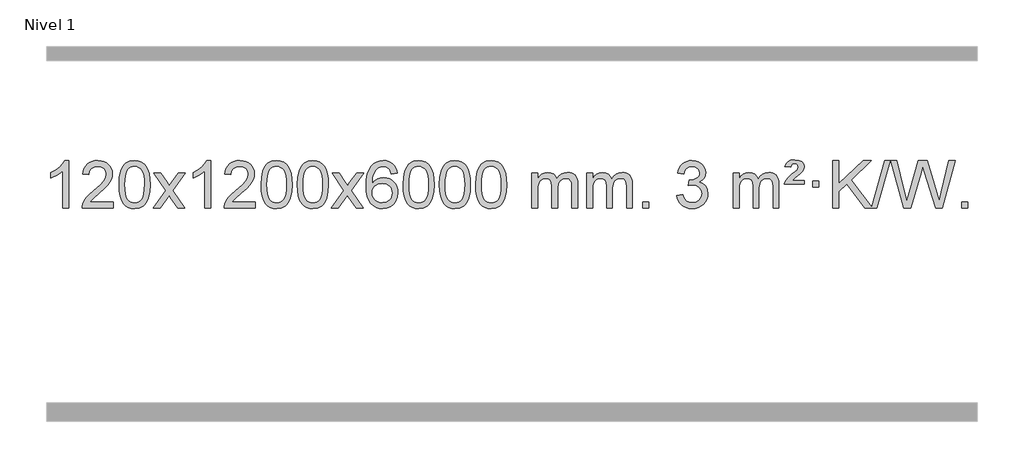
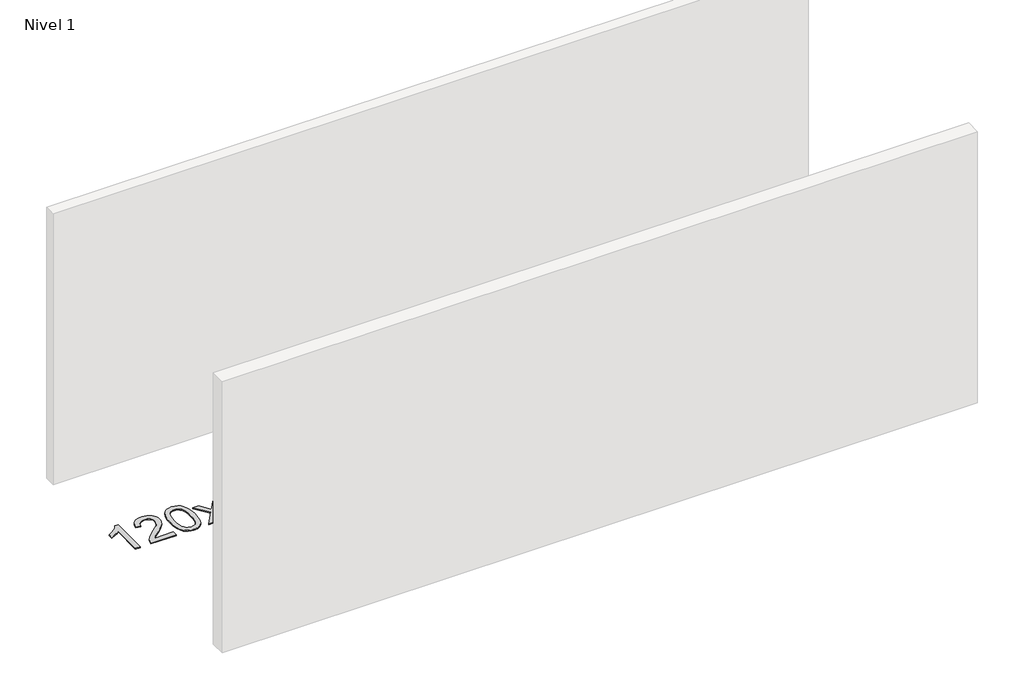
# One storey, part 3 of 5: 1 proxy.
"""IFC4 building model written with IfcOpenShell, lengths in millimetres."""

import ifcopenshell
import ifcopenshell.guid

model = None  # the IFC model being written
_history = None  # IfcOwnerHistory: only IFC2X3 demands one
_inside = {}  # id of a spatial element -> (the spatial element, [elements in it])
_under = {}  # id of a project, library or spatial element -> (it, [spatial elements below it])
_declared = {}  # id of a project -> (the project, [libraries it declares])
_typed = {}  # id of a type object -> (the type object, [elements of that type])
_made_of = {}  # id of a material, layer set ... -> (it, [elements and type objects made of it])


def new_model(schema):
    """Start an empty IFC model of exactly this schema.

    Asked for "IFC4X3", IfcOpenShell would pick the latest addendum, in which some entities
    have other attributes; the version numbers below select the first issue.
    IFC2X3 requires an IfcOwnerHistory on every rooted entity: one is made here for all.
    """
    global model, _history
    if schema == "IFC4X3":
        model = ifcopenshell.file(schema_version=(4, 3, 0, 0))
    else:
        model = ifcopenshell.file(schema=schema)
    _inside.clear()
    _under.clear()
    _declared.clear()
    _typed.clear()
    _made_of.clear()
    _history = None
    if model.schema == "IFC2X3":
        org = make("IfcOrganization", Name="unknown")
        user = make(
            "IfcPersonAndOrganization",
            ThePerson=make("IfcPerson", FamilyName="unknown"),
            TheOrganization=org,
        )
        app = make(
            "IfcApplication",
            ApplicationDeveloper=org,
            Version="unknown",
            ApplicationFullName="unknown",
            ApplicationIdentifier="unknown",
        )
        _history = make(
            "IfcOwnerHistory",
            OwningUser=user,
            OwningApplication=app,
            ChangeAction="ADDED",
            CreationDate=0,
        )
    return model


def make(cls, **values):
    """One entity of the class cls with the attributes given. An attribute that is None is left unset."""
    return model.create_entity(
        cls, **{name: value for name, value in values.items() if value is not None}
    )


def rooted(cls, **values):
    """An entity with a GlobalId (a new one), such as an element, a storey or a relation."""
    return make(cls, GlobalId=ifcopenshell.guid.new(), OwnerHistory=_history, **values)


def si_unit(unit_type, name, prefix=None):
    """IfcSIUnit, for example si_unit("LENGTHUNIT", "METRE", prefix="MILLI")."""
    return make("IfcSIUnit", UnitType=unit_type, Prefix=prefix, Name=name)


def assignment(units):
    """IfcUnitAssignment: the units of a project."""
    return None if units is None else make("IfcUnitAssignment", Units=units)


def point(xyz):
    """IfcCartesianPoint."""
    return None if xyz is None else make("IfcCartesianPoint", Coordinates=xyz)


def direction(xyz):
    """IfcDirection."""
    return None if xyz is None else make("IfcDirection", DirectionRatios=xyz)


def frame(location, z_axis=None, x_axis=None):
    """IfcAxis2Placement3D, a coordinate frame: its origin and axes. An axis left out is left unset."""
    return make(
        "IfcAxis2Placement3D",
        Location=point(location),
        Axis=direction(z_axis),
        RefDirection=direction(x_axis),
    )


def origin():
    """The frame at (0, 0, 0) with its axes left unset."""
    return frame((0.0, 0.0, 0.0))


def origin_with_axes():
    """The frame at (0, 0, 0) with the z axis (0, 0, 1) and the x axis (1, 0, 0) written out."""
    return frame((0.0, 0.0, 0.0), z_axis=(0.0, 0.0, 1.0), x_axis=(1.0, 0.0, 0.0))


def place(relative_to, where):
    """IfcLocalPlacement: puts the frame where relative to a parent placement (None: the world)."""
    return make(
        "IfcLocalPlacement", PlacementRelTo=relative_to, RelativePlacement=where
    )


def context(
    kind, dimensions, precision=None, world=None, true_north=None, identifier=None
):
    """IfcGeometricRepresentationContext, for example the 3D "Model" context."""
    return make(
        "IfcGeometricRepresentationContext",
        ContextIdentifier=identifier,
        ContextType=kind,
        CoordinateSpaceDimension=dimensions,
        Precision=precision,
        WorldCoordinateSystem=world,
        TrueNorth=true_north,
    )


def project(units=None, contexts=None):
    """IfcProject with its units and contexts."""
    return rooted(
        "IfcProject",
        Name="project",
        RepresentationContexts=contexts,
        UnitsInContext=assignment(units),
    )


def spatial(cls, under=None, at=None, **own):
    """A site, building, storey or space (cls), placed at a placement, below another one or the project."""
    s = rooted(cls, ObjectPlacement=at, **own)
    if under is not None:
        _under.setdefault(under.id(), (under, []))[1].append(s)
    return s


def polyline(points):
    """IfcPolyline through the points."""
    return make("IfcPolyline", Points=[point(p) for p in points])


def outline(outer, holes=None, kind="AREA"):
    """IfcArbitraryClosedProfileDef: a profile drawn as a closed curve; with holes, ...WithVoids."""
    if holes is None:
        return make("IfcArbitraryClosedProfileDef", ProfileType=kind, OuterCurve=outer)
    return make(
        "IfcArbitraryProfileDefWithVoids",
        ProfileType=kind,
        OuterCurve=outer,
        InnerCurves=holes,
    )


def extrude(swept, where, along, depth):
    """IfcExtrudedAreaSolid: the profile swept, set in the frame where, extruded along a direction by depth."""
    return make(
        "IfcExtrudedAreaSolid",
        SweptArea=swept,
        Position=where,
        ExtrudedDirection=direction(along),
        Depth=depth,
    )


def shape(context_of_items, identifier, shape_type, items):
    """IfcShapeRepresentation: the items that make up one representation, for example the "Body"."""
    return make(
        "IfcShapeRepresentation",
        ContextOfItems=context_of_items,
        RepresentationIdentifier=identifier,
        RepresentationType=shape_type,
        Items=items,
    )


def made_of(thing, what):
    """Note that an element or type object is made of a material, layer set ...; save() writes the relation."""
    if what is not None:
        _made_of.setdefault(what.id(), (what, []))[1].append(thing)
    return thing


def element(
    cls,
    number,
    at=None,
    inside=None,
    cuts=None,
    type_object=None,
    material=None,
    context=None,
    identifier="Body",
    shape_type=None,
    held_by="IfcProductDefinitionShape",
    body=None,
    shapes=None,
    **own,
):
    """One element of the class cls, such as IfcWall. Its Tag is "e" and its number.

    at: its placement. inside: the storey or other place that contains it. cuts: it is an
    opening in that element (IfcRelVoidsElement). A single representation is given by context,
    identifier, shape_type and body (its items); several are given by shapes. held_by: the class
    of the entity that holds the representations. save() writes the other relations.
    """
    e = rooted(cls, Tag="e%d" % number, ObjectPlacement=at, **own)
    if body is not None:
        shapes = [shape(context, identifier, shape_type, body)]
    if shapes is not None:
        e.Representation = make(held_by, Representations=shapes)
    if inside is not None:
        _inside.setdefault(inside.id(), (inside, []))[1].append(e)
    if cuts is not None:
        rooted(
            "IfcRelVoidsElement", RelatingBuildingElement=cuts, RelatedOpeningElement=e
        )
    if type_object is not None:
        _typed.setdefault(type_object.id(), (type_object, []))[1].append(e)
    return made_of(e, material)


def aggregate(whole, parts):
    """IfcRelAggregates: a whole, such as a stair, and the parts it consists of."""
    return rooted("IfcRelAggregates", RelatingObject=whole, RelatedObjects=parts)


def save(model, path):
    """Write the relations noted so far, then the file.

    IfcRelAggregates (storeys below a building ...), IfcRelContainedInSpatialStructure (elements
    in a storey), IfcRelDefinesByType, IfcRelAssociatesMaterial and IfcRelDeclares: one each for
    every whole, place, type object, material and project.
    """
    for whole, parts in _under.values():
        aggregate(whole, parts)
    for where, things in _inside.values():
        rooted(
            "IfcRelContainedInSpatialStructure",
            RelatedElements=things,
            RelatingStructure=where,
        )
    for kind, things in _typed.values():
        rooted("IfcRelDefinesByType", RelatedObjects=things, RelatingType=kind)
    for what, things in _made_of.values():
        rooted("IfcRelAssociatesMaterial", RelatedObjects=things, RelatingMaterial=what)
    for by, libraries in _declared.values():
        rooted("IfcRelDeclares", RelatingContext=by, RelatedDefinitions=libraries)
    model.write(path)


model = new_model("IFC4")

# Units and contexts
model_context = context("Model", 3, world=origin())
ifc_project = project(units=[si_unit("LENGTHUNIT", "METRE", prefix="MILLI")], contexts=[model_context])

# Site, building, storey
site = spatial("IfcSite", under=ifc_project)
building = spatial("IfcBuilding", under=site)
storey = spatial("IfcBuildingStorey", under=building, Name="Nivel 1", Elevation=0.0)

# Proxy
placement = place(None, origin())
element("IfcBuildingElementProxy", 1, Name="Texto de modelo 1", ObjectType="Texto de modelo 1", at=placement, inside=storey, context=model_context, shape_type="SweptSolid", body=[
    extrude(outline(polyline([(-43.1563615, -3395.579453), (-93.3845166, -3395.579453), (-93.3845166, -3082.4382987), (-114.3537903, -3099.3976587), (-140.9639213, -3116.3324932), (-193.8408268, -3141.6918254), (-193.8408268, -3094.2105225), (-154.3916142, -3072.7507395), (-120.2153768, -3047.219729), (-93.274152, -3020.0700378), (-75.5299771, -2993.7542124), (-43.1563615, -2993.7542124), (-43.1563615, -3395.579453)])), origin_with_axes(), (0.0, 0.0, 1.0), 10.0),
    extrude(outline(polyline([(333.5548015, -3345.3512979), (333.5548015, -3395.579453), (69.8569874, -3395.579453), (70.9606334, -3377.8965918), (75.25259, -3360.9494945), (87.6379505, -3333.8856424), (105.7622701, -3307.6311307), (131.9799936, -3280.1503456), (168.6455658, -3249.4076736), (222.8468464, -3201.2641831), (255.3676148, -3165.7267824), (271.627999, -3136.884834), (277.0481271, -3108.8277005), (271.9345673, -3083.6768347), (256.5938881, -3062.7688747), (233.0126522, -3048.6789943), (203.1774224, -3043.9823675), (171.8461392, -3048.5686297), (147.5046138, -3062.3274163), (131.7960526, -3084.1796068), (126.3636618, -3113.0460807), (76.1355068, -3106.7675613), (80.4550545, -3080.838012), (88.3124008, -3058.1826125), (99.7075456, -3038.8013627), (114.6404889, -3022.6942627), (132.7678742, -3010.0329907), (153.746345, -3000.989225), (177.5759012, -2995.5629655), (204.2565429, -2993.7542124), (231.1763079, -2995.7653006), (255.1346229, -3001.7985654), (276.1314878, -3011.8540066), (294.1669026, -3025.9316242), (308.6522561, -3042.9890861), (318.9989372, -3061.9840598), (325.2069459, -3082.9165453), (327.2762821, -3105.7865427), (325.0444647, -3129.8092369), (318.3490124, -3153.4149983), (306.4664239, -3177.4254299), (288.6731981, -3202.6621347), (260.3094963, -3232.7916701), (216.7154798, -3271.4805933), (158.9334811, -3319.795762), (136.2719502, -3345.3512979), (333.5548015, -3345.3512979)])), origin_with_axes(), (0.0, 0.0, 1.0), 10.0),
    extrude(outline(polyline([(383.7829566, -3197.9041943), (387.4740393, -3133.5861588), (398.5472873, -3082.2911459), (416.8923362, -3043.2343407), (428.7503991, -3028.0009605), (442.3988212, -3015.6309284), (457.8835875, -3006.0598651), (475.2506833, -2999.2233914), (515.6318637, -2993.7542124), (546.5830022, -2996.991574), (574.2967792, -3006.7036586), (597.4733449, -3022.5103217), (614.8128496, -3044.0314184), (627.9094486, -3071.0830078), (638.3572973, -3103.4811488), (645.1999024, -3144.6226186), (647.4807707, -3197.9041943), (643.8264762, -3261.8543477), (632.8635928, -3313.0267333), (614.6289086, -3352.1203266), (602.7984367, -3367.3996922), (589.1592118, -3379.8341036), (573.6560514, -3389.4695462), (556.2337732, -3396.3520052), (515.6318637, -3401.8579724), (487.9671376, -3399.4667394), (463.4416713, -3392.2930405), (442.0554646, -3380.3368757), (423.8085177, -3363.5982449), (406.2973347, -3333.3399508), (393.7893469, -3295.6381776), (386.2845542, -3250.4929255), (383.7829566, -3197.9041943)]), holes=[polyline([(434.0111117, -3197.8060924), (435.4826396, -3241.4706195), (439.8972236, -3276.8148822), (447.2548635, -3303.8388804), (457.5555594, -3322.5426142), (470.0144963, -3335.2682656), (483.8468593, -3344.3580165), (499.0526484, -3349.8118671), (515.6318637, -3351.6298173), (532.2110789, -3349.8057357), (547.416868, -3344.3334911), (561.2492311, -3335.2130833), (573.708168, -3322.4445124), (584.0088638, -3303.7101217), (591.3665037, -3276.6922549), (595.7810877, -3241.3909118), (597.2526157, -3197.8060924), (595.8301386, -3155.2973278), (591.5627075, -3120.5753989), (584.4503222, -3093.6403055), (574.4929829, -3074.4920476), (562.2425125, -3061.1440625), (548.2507339, -3051.6097875), (532.5176472, -3045.8892225), (515.0432525, -3043.9823675), (498.5498764, -3045.6623619), (483.6016046, -3050.7023452), (470.1984373, -3059.1023175), (458.3403743, -3070.8622786), (447.6963219, -3091.708925), (440.0934273, -3119.8151094), (435.5316906, -3155.1808319), (434.0111117, -3197.8060924)])]), origin_with_axes(), (0.0, 0.0, 1.0), 10.0),
    extrude(outline(polyline([(672.5948483, -3395.579453), (779.918289, -3247.2494325), (678.8733677, -3100.4890419), (739.3041167, -3100.4890419), (788.0607438, -3171.122385), (810.8203766, -3204.4770192), (830.5388515, -3177.2047007), (886.0645073, -3100.4890419), (946.4952564, -3100.4890419), (840.3490381, -3247.2494325), (942.5711818, -3395.579453), (882.1404327, -3395.579453), (820.6305631, -3306.4048574), (809.3488486, -3290.1199477), (733.0255973, -3395.579453), (672.5948483, -3395.579453)])), origin_with_axes(), (0.0, 0.0, 1.0), 10.0),
    extrude(outline(polyline([(1162.3193603, -3395.579453), (1112.0912052, -3395.579453), (1112.0912052, -3082.4382987), (1091.1219315, -3099.3976587), (1064.5118005, -3116.3324932), (1011.634895, -3141.6918254), (1011.634895, -3094.2105225), (1051.0841076, -3072.7507395), (1085.260345, -3047.219729), (1112.2015698, -3020.0700378), (1129.9457447, -2993.7542124), (1162.3193603, -2993.7542124), (1162.3193603, -3395.579453)])), origin_with_axes(), (0.0, 0.0, 1.0), 10.0),
    extrude(outline(polyline([(1539.0305233, -3345.3512979), (1539.0305233, -3395.579453), (1275.3327092, -3395.579453), (1276.4363552, -3377.8965918), (1280.7283118, -3360.9494945), (1293.1136723, -3333.8856424), (1311.2379919, -3307.6311307), (1337.4557154, -3280.1503456), (1374.1212876, -3249.4076736), (1428.3225682, -3201.2641831), (1460.8433366, -3165.7267824), (1477.1037208, -3136.884834), (1482.5238489, -3108.8277005), (1477.4102891, -3083.6768347), (1462.0696099, -3062.7688747), (1438.488374, -3048.6789943), (1408.6531442, -3043.9823675), (1377.321861, -3048.5686297), (1352.9803356, -3062.3274163), (1337.2717744, -3084.1796068), (1331.8393836, -3113.0460807), (1281.6112286, -3106.7675613), (1285.9307763, -3080.838012), (1293.7881226, -3058.1826125), (1305.1832674, -3038.8013627), (1320.1162107, -3022.6942627), (1338.243596, -3010.0329907), (1359.2220668, -3000.989225), (1383.051623, -2995.5629655), (1409.7322647, -2993.7542124), (1436.6520297, -2995.7653006), (1460.6103447, -3001.7985654), (1481.6072095, -3011.8540066), (1499.6426244, -3025.9316242), (1514.1279779, -3042.9890861), (1524.474659, -3061.9840598), (1530.6826677, -3082.9165453), (1532.7520039, -3105.7865427), (1530.5201865, -3129.8092369), (1523.8247342, -3153.4149983), (1511.9421457, -3177.4254299), (1494.1489199, -3202.6621347), (1465.7852181, -3232.7916701), (1422.1912016, -3271.4805933), (1364.4092029, -3319.795762), (1341.747672, -3345.3512979), (1539.0305233, -3345.3512979)])), origin_with_axes(), (0.0, 0.0, 1.0), 10.0),
    extrude(outline(polyline([(1589.2586784, -3197.9041943), (1592.9497611, -3133.5861588), (1604.0230091, -3082.2911459), (1622.368058, -3043.2343407), (1634.2261209, -3028.0009605), (1647.874543, -3015.6309284), (1663.3593093, -3006.0598651), (1680.7264051, -2999.2233914), (1721.1075855, -2993.7542124), (1752.058724, -2996.991574), (1779.772501, -3006.7036586), (1802.9490667, -3022.5103217), (1820.2885714, -3044.0314184), (1833.3851704, -3071.0830078), (1843.833019, -3103.4811488), (1850.6756242, -3144.6226186), (1852.9564925, -3197.9041943), (1849.302198, -3261.8543477), (1838.3393146, -3313.0267333), (1820.1046304, -3352.1203266), (1808.2741585, -3367.3996922), (1794.6349336, -3379.8341036), (1779.1317731, -3389.4695462), (1761.709495, -3396.3520052), (1721.1075855, -3401.8579724), (1693.4428594, -3399.4667394), (1668.9173931, -3392.2930405), (1647.5311864, -3380.3368757), (1629.2842395, -3363.5982449), (1611.7730565, -3333.3399508), (1599.2650687, -3295.6381776), (1591.760276, -3250.4929255), (1589.2586784, -3197.9041943)]), holes=[polyline([(1639.4868335, -3197.8060924), (1640.9583614, -3241.4706195), (1645.3729454, -3276.8148822), (1652.7305853, -3303.8388804), (1663.0312812, -3322.5426142), (1675.4902181, -3335.2682656), (1689.3225811, -3344.3580165), (1704.5283702, -3349.8118671), (1721.1075855, -3351.6298173), (1737.6868007, -3349.8057357), (1752.8925898, -3344.3334911), (1766.7249529, -3335.2130833), (1779.1838898, -3322.4445124), (1789.4845856, -3303.7101217), (1796.8422255, -3276.6922549), (1801.2568095, -3241.3909118), (1802.7283375, -3197.8060924), (1801.3058604, -3155.2973278), (1797.0384293, -3120.5753989), (1789.926044, -3093.6403055), (1779.9687047, -3074.4920476), (1767.7182342, -3061.1440625), (1753.7264557, -3051.6097875), (1737.993369, -3045.8892225), (1720.5189743, -3043.9823675), (1704.0255981, -3045.6623619), (1689.0773264, -3050.7023452), (1675.6741591, -3059.1023175), (1663.8160961, -3070.8622786), (1653.1720437, -3091.708925), (1645.5691491, -3119.8151094), (1641.0074124, -3155.1808319), (1639.4868335, -3197.8060924)])]), origin_with_axes(), (0.0, 0.0, 1.0), 10.0),
    extrude(outline(polyline([(1896.9061282, -3197.9041943), (1900.5972109, -3133.5861588), (1911.670459, -3082.2911459), (1930.0155078, -3043.2343407), (1941.8735708, -3028.0009605), (1955.5219928, -3015.6309284), (1971.0067591, -3006.0598651), (1988.373855, -2999.2233914), (2028.7550353, -2993.7542124), (2059.7061738, -2996.991574), (2087.4199508, -3006.7036586), (2110.5965165, -3022.5103217), (2127.9360212, -3044.0314184), (2141.0326202, -3071.0830078), (2151.4804689, -3103.4811488), (2158.323074, -3144.6226186), (2160.6039424, -3197.9041943), (2156.9496479, -3261.8543477), (2145.9867644, -3313.0267333), (2127.7520802, -3352.1203266), (2115.9216084, -3367.3996922), (2102.2823834, -3379.8341036), (2086.779223, -3389.4695462), (2069.3569448, -3396.3520052), (2028.7550353, -3401.8579724), (2001.0903093, -3399.4667394), (1976.5648429, -3392.2930405), (1955.1786363, -3380.3368757), (1936.9316893, -3363.5982449), (1919.4205063, -3333.3399508), (1906.9125185, -3295.6381776), (1899.4077258, -3250.4929255), (1896.9061282, -3197.9041943)]), holes=[polyline([(1947.1342833, -3197.8060924), (1948.6058113, -3241.4706195), (1953.0203952, -3276.8148822), (1960.3780351, -3303.8388804), (1970.678731, -3322.5426142), (1983.1376679, -3335.2682656), (1996.9700309, -3344.3580165), (2012.17582, -3349.8118671), (2028.7550353, -3351.6298173), (2045.3342505, -3349.8057357), (2060.5400397, -3344.3334911), (2074.3724027, -3335.2130833), (2086.8313396, -3322.4445124), (2097.1320355, -3303.7101217), (2104.4896754, -3276.6922549), (2108.9042593, -3241.3909118), (2110.3757873, -3197.8060924), (2108.9533102, -3155.2973278), (2104.6858791, -3120.5753989), (2097.5734939, -3093.6403055), (2087.6161545, -3074.4920476), (2075.3656841, -3061.1440625), (2061.3739055, -3051.6097875), (2045.6408189, -3045.8892225), (2028.1664241, -3043.9823675), (2011.673048, -3045.6623619), (1996.7247762, -3050.7023452), (1983.3216089, -3059.1023175), (1971.4635459, -3070.8622786), (1960.8194935, -3091.708925), (1953.2165989, -3119.8151094), (1948.6548622, -3155.1808319), (1947.1342833, -3197.8060924)])]), origin_with_axes(), (0.0, 0.0, 1.0), 10.0),
    extrude(outline(polyline([(2185.7180199, -3395.579453), (2293.0414606, -3247.2494325), (2191.9965393, -3100.4890419), (2252.4272884, -3100.4890419), (2301.1839155, -3171.122385), (2323.9435482, -3204.4770192), (2343.6620232, -3177.2047007), (2399.187679, -3100.4890419), (2459.618428, -3100.4890419), (2353.4722097, -3247.2494325), (2455.6943534, -3395.579453), (2395.2636044, -3395.579453), (2333.7537348, -3306.4048574), (2322.4720202, -3290.1199477), (2246.148769, -3395.579453), (2185.7180199, -3395.579453)])), origin_with_axes(), (0.0, 0.0, 1.0), 10.0),
    extrude(outline(polyline([(2744.5062451, -3100.4890419), (2694.27809, -3106.7675613), (2686.1846861, -3081.874213), (2675.2463281, -3064.8780648), (2652.4621699, -3049.2062918), (2624.9200712, -3043.9823675), (2601.5718272, -3047.0235253), (2579.5970094, -3056.1469988), (2560.724663, -3075.3627017), (2545.3104075, -3101.8134171), (2534.899347, -3139.227016), (2531.036586, -3191.3313693), (2551.1842566, -3167.8237098), (2575.3295783, -3151.2567573), (2602.1236502, -3141.434308), (2630.2175719, -3138.1601582), (2654.3506308, -3140.398107), (2676.6197543, -3147.1119534), (2697.0249423, -3158.3016975), (2715.5661948, -3173.9673391), (2730.9743191, -3193.1769106), (2741.9801221, -3214.9984443), (2748.5836039, -3239.4319401), (2750.7847645, -3266.4773982), (2746.6399607, -3302.4439945), (2734.2055492, -3335.786366), (2714.5115998, -3364.0642287), (2688.5881818, -3384.8372987), (2657.6125178, -3397.602804), (2622.7618302, -3401.8579724), (2592.8193014, -3399.0375437), (2565.7769091, -3390.5762579), (2541.6346532, -3376.4741147), (2520.3925336, -3356.7311143), (2503.0744887, -3330.5133908), (2490.7044566, -3296.9870783), (2483.2824374, -3256.1521768), (2480.808431, -3208.0086864), (2483.5552832, -3154.0342663), (2491.7958399, -3107.9693092), (2505.530101, -3069.8138149), (2524.7580667, -3039.5677835), (2545.5985817, -3019.5243462), (2569.7622974, -3005.2076052), (2597.2492138, -2996.6175606), (2628.0593309, -2993.7542124), (2651.192977, -2995.5261773), (2672.1315939, -3000.8420722), (2690.8751816, -3009.7018969), (2707.42374, -3022.1056515), (2721.3296794, -3037.6364031), (2732.1454101, -3055.8772186), (2739.870932, -3076.8280983), (2744.5062451, -3100.4890419)]), holes=[polyline([(2531.036586, -3265.6925832), (2533.9428538, -3287.9494439), (2542.6616571, -3309.2007605), (2556.1997145, -3327.472233), (2573.5637447, -3340.7895612), (2594.5207557, -3348.9197533), (2618.8377556, -3351.6298173), (2651.9839233, -3346.0134855), (2665.8990598, -3338.9930708), (2678.0422313, -3329.1644901), (2687.8922717, -3316.9262824), (2694.9280149, -3302.6769865), (2700.5566094, -3268.1451299), (2695.0015913, -3234.9989621), (2688.0578186, -3221.3781312), (2678.3365369, -3209.725469), (2666.1565772, -3200.3904634), (2651.8367705, -3193.7226022), (2616.7776164, -3188.3883133), (2583.6804995, -3193.7226022), (2556.0035108, -3209.725469), (2545.0804812, -3221.2248471), (2537.2783172, -3234.3858254), (2532.5970188, -3249.2084042), (2531.036586, -3265.6925832)])]), origin_with_axes(), (0.0, 0.0, 1.0), 10.0),
    extrude(outline(polyline([(2794.7344002, -3197.9041943), (2798.4254829, -3133.5861588), (2809.4987309, -3082.2911459), (2827.8437797, -3043.2343407), (2839.7018427, -3028.0009605), (2853.3502647, -3015.6309284), (2868.8350311, -3006.0598651), (2886.2021269, -2999.2233914), (2926.5833073, -2993.7542124), (2957.5344458, -2996.991574), (2985.2482228, -3006.7036586), (3008.4247884, -3022.5103217), (3025.7642932, -3044.0314184), (3038.8608922, -3071.0830078), (3049.3087408, -3103.4811488), (3056.151346, -3144.6226186), (3058.4322143, -3197.9041943), (3054.7779198, -3261.8543477), (3043.8150364, -3313.0267333), (3025.5803522, -3352.1203266), (3013.7498803, -3367.3996922), (3000.1106554, -3379.8341036), (2984.6074949, -3389.4695462), (2967.1852168, -3396.3520052), (2926.5833073, -3401.8579724), (2898.9185812, -3399.4667394), (2874.3931149, -3392.2930405), (2853.0069082, -3380.3368757), (2834.7599613, -3363.5982449), (2817.2487783, -3333.3399508), (2804.7407905, -3295.6381776), (2797.2359977, -3250.4929255), (2794.7344002, -3197.9041943)]), holes=[polyline([(2844.9625553, -3197.8060924), (2846.4340832, -3241.4706195), (2850.8486672, -3276.8148822), (2858.2063071, -3303.8388804), (2868.5070029, -3322.5426142), (2880.9659399, -3335.2682656), (2894.7983029, -3344.3580165), (2910.004092, -3349.8118671), (2926.5833073, -3351.6298173), (2943.1625225, -3349.8057357), (2958.3683116, -3344.3334911), (2972.2006747, -3335.2130833), (2984.6596116, -3322.4445124), (2994.9603074, -3303.7101217), (3002.3179473, -3276.6922549), (3006.7325313, -3241.3909118), (3008.2040592, -3197.8060924), (3006.7815822, -3155.2973278), (3002.5141511, -3120.5753989), (2995.4017658, -3093.6403055), (2985.4444265, -3074.4920476), (2973.193956, -3061.1440625), (2959.2021775, -3051.6097875), (2943.4690908, -3045.8892225), (2925.9946961, -3043.9823675), (2909.5013199, -3045.6623619), (2894.5530482, -3050.7023452), (2881.1498808, -3059.1023175), (2869.2918179, -3070.8622786), (2858.6477655, -3091.708925), (2851.0448709, -3119.8151094), (2846.4831342, -3155.1808319), (2844.9625553, -3197.8060924)])]), origin_with_axes(), (0.0, 0.0, 1.0), 10.0),
    extrude(outline(polyline([(3102.38185, -3197.9041943), (3106.0729327, -3133.5861588), (3117.1461808, -3082.2911459), (3135.4912296, -3043.2343407), (3147.3492926, -3028.0009605), (3160.9977146, -3015.6309284), (3176.4824809, -3006.0598651), (3193.8495767, -2999.2233914), (3234.2307571, -2993.7542124), (3265.1818956, -2996.991574), (3292.8956726, -3006.7036586), (3316.0722383, -3022.5103217), (3333.411743, -3044.0314184), (3346.508342, -3071.0830078), (3356.9561907, -3103.4811488), (3363.7987958, -3144.6226186), (3366.0796642, -3197.9041943), (3362.4253697, -3261.8543477), (3351.4624862, -3313.0267333), (3333.227802, -3352.1203266), (3321.3973302, -3367.3996922), (3307.7581052, -3379.8341036), (3292.2549448, -3389.4695462), (3274.8326666, -3396.3520052), (3234.2307571, -3401.8579724), (3206.566031, -3399.4667394), (3182.0405647, -3392.2930405), (3160.6543581, -3380.3368757), (3142.4074111, -3363.5982449), (3124.8962281, -3333.3399508), (3112.3882403, -3295.6381776), (3104.8834476, -3250.4929255), (3102.38185, -3197.9041943)]), holes=[polyline([(3152.6100051, -3197.8060924), (3154.0815331, -3241.4706195), (3158.496117, -3276.8148822), (3165.8537569, -3303.8388804), (3176.1544528, -3322.5426142), (3188.6133897, -3335.2682656), (3202.4457527, -3344.3580165), (3217.6515418, -3349.8118671), (3234.2307571, -3351.6298173), (3250.8099723, -3349.8057357), (3266.0157615, -3344.3334911), (3279.8481245, -3335.2130833), (3292.3070614, -3322.4445124), (3302.6077573, -3303.7101217), (3309.9653972, -3276.6922549), (3314.3799811, -3241.3909118), (3315.8515091, -3197.8060924), (3314.429032, -3155.2973278), (3310.1616009, -3120.5753989), (3303.0492157, -3093.6403055), (3293.0918763, -3074.4920476), (3280.8414059, -3061.1440625), (3266.8496273, -3051.6097875), (3251.1165407, -3045.8892225), (3233.6421459, -3043.9823675), (3217.1487698, -3045.6623619), (3202.200498, -3050.7023452), (3188.7973307, -3059.1023175), (3176.9392677, -3070.8622786), (3166.2952153, -3091.708925), (3158.6923207, -3119.8151094), (3154.130584, -3155.1808319), (3152.6100051, -3197.8060924)])]), origin_with_axes(), (0.0, 0.0, 1.0), 10.0),
    extrude(outline(polyline([(3410.0292998, -3197.9041943), (3413.7203825, -3133.5861588), (3424.7936306, -3082.2911459), (3443.1386794, -3043.2343407), (3454.9967424, -3028.0009605), (3468.6451644, -3015.6309284), (3484.1299307, -3006.0598651), (3501.4970266, -2999.2233914), (3541.8782069, -2993.7542124), (3572.8293454, -2996.991574), (3600.5431224, -3006.7036586), (3623.7196881, -3022.5103217), (3641.0591928, -3044.0314184), (3654.1557918, -3071.0830078), (3664.6036405, -3103.4811488), (3671.4462456, -3144.6226186), (3673.727114, -3197.9041943), (3670.0728195, -3261.8543477), (3659.109936, -3313.0267333), (3640.8752518, -3352.1203266), (3629.04478, -3367.3996922), (3615.405555, -3379.8341036), (3599.9023946, -3389.4695462), (3582.4801165, -3396.3520052), (3541.8782069, -3401.8579724), (3514.2134809, -3399.4667394), (3489.6880145, -3392.2930405), (3468.3018079, -3380.3368757), (3450.0548609, -3363.5982449), (3432.543678, -3333.3399508), (3420.0356901, -3295.6381776), (3412.5308974, -3250.4929255), (3410.0292998, -3197.9041943)]), holes=[polyline([(3460.2574549, -3197.8060924), (3461.7289829, -3241.4706195), (3466.1435668, -3276.8148822), (3473.5012067, -3303.8388804), (3483.8019026, -3322.5426142), (3496.2608395, -3335.2682656), (3510.0932025, -3344.3580165), (3525.2989917, -3349.8118671), (3541.8782069, -3351.6298173), (3558.4574222, -3349.8057357), (3573.6632113, -3344.3334911), (3587.4955743, -3335.2130833), (3599.9545112, -3322.4445124), (3610.2552071, -3303.7101217), (3617.612847, -3276.6922549), (3622.0274309, -3241.3909118), (3623.4989589, -3197.8060924), (3622.0764819, -3155.2973278), (3617.8090507, -3120.5753989), (3610.6966655, -3093.6403055), (3600.7393261, -3074.4920476), (3588.4888557, -3061.1440625), (3574.4970772, -3051.6097875), (3558.7639905, -3045.8892225), (3541.2895957, -3043.9823675), (3524.7962196, -3045.6623619), (3509.8479479, -3050.7023452), (3496.4447805, -3059.1023175), (3484.5867175, -3070.8622786), (3473.9426651, -3091.708925), (3466.3397706, -3119.8151094), (3461.7780338, -3155.1808319), (3460.2574549, -3197.8060924)])]), origin_with_axes(), (0.0, 0.0, 1.0), 10.0),
    extrude(outline(polyline([(3887.1967731, -3395.579453), (3887.1967731, -3100.4890419), (3937.4249281, -3100.4890419), (3937.4249281, -3149.0494653), (3952.5326154, -3126.7435537), (3971.9567847, -3109.2691589), (3995.0352486, -3097.9751816), (4021.1058193, -3094.2105225), (4049.0403255, -3098.048758), (4071.4320762, -3109.5634645), (4088.1584443, -3127.9943524), (4099.0968023, -3152.5811324), (4117.4050629, -3127.0439906), (4138.2884975, -3108.803175), (4161.7471061, -3097.8586857), (4187.7808886, -3094.2105225), (4207.8887053, -3095.7280358), (4225.537844, -3100.2805755), (4240.7283047, -3107.8681416), (4253.4600875, -3118.4907342), (4263.5247257, -3132.2709806), (4270.713753, -3149.3315082), (4275.0271694, -3169.6723168), (4276.4649749, -3193.2934066), (4276.4649749, -3395.579453), (4226.2368198, -3395.579453), (4226.2368198, -3214.875817), (4225.0718602, -3189.8230531), (4221.5769812, -3172.9372695), (4215.0286817, -3161.3735121), (4204.7034604, -3152.2868268), (4191.4229203, -3146.4007149), (4176.0086647, -3144.4386776), (4148.7976598, -3149.4663982), (4126.6143755, -3164.54956), (4118.0090025, -3176.1194488), (4111.8623075, -3190.7182326), (4106.9449515, -3229.0024856), (4106.9449515, -3395.579453), (4056.7167964, -3395.579453), (4056.7167964, -3209.2840106), (4053.8105287, -3180.8835206), (4045.0917254, -3160.6254854), (4029.7510462, -3148.4853796), (4006.9791507, -3144.4386776), (3987.6285577, -3147.1364789), (3969.7985437, -3155.2298828), (3955.0832639, -3168.5226856), (3945.0768736, -3186.8186835), (3939.3379145, -3212.2025411), (3937.4249281, -3246.7589232), (3937.4249281, -3395.579453), (3887.1967731, -3395.579453)])), origin_with_axes(), (0.0, 0.0, 1.0), 10.0),
    extrude(outline(polyline([(4351.8072075, -3395.579453), (4351.8072075, -3100.4890419), (4402.0353626, -3100.4890419), (4402.0353626, -3149.0494653), (4417.1430498, -3126.7435537), (4436.5672192, -3109.2691589), (4459.645683, -3097.9751816), (4485.7162537, -3094.2105225), (4513.6507599, -3098.048758), (4536.0425107, -3109.5634645), (4552.7688787, -3127.9943524), (4563.7072367, -3152.5811324), (4582.0154973, -3127.0439906), (4602.8989319, -3108.803175), (4626.3575405, -3097.8586857), (4652.391323, -3094.2105225), (4672.4991397, -3095.7280358), (4690.1482785, -3100.2805755), (4705.3387392, -3107.8681416), (4718.0705219, -3118.4907342), (4728.1351602, -3132.2709806), (4735.3241875, -3149.3315082), (4739.6376039, -3169.6723168), (4741.0754093, -3193.2934066), (4741.0754093, -3395.579453), (4690.8472543, -3395.579453), (4690.8472543, -3214.875817), (4689.6822946, -3189.8230531), (4686.1874157, -3172.9372695), (4679.6391161, -3161.3735121), (4669.3138948, -3152.2868268), (4656.0333548, -3146.4007149), (4640.6190992, -3144.4386776), (4613.4080943, -3149.4663982), (4591.22481, -3164.54956), (4582.619437, -3176.1194488), (4576.472742, -3190.7182326), (4571.555386, -3229.0024856), (4571.555386, -3395.579453), (4521.3272309, -3395.579453), (4521.3272309, -3209.2840106), (4518.4209631, -3180.8835206), (4509.7021598, -3160.6254854), (4494.3614806, -3148.4853796), (4471.5895851, -3144.4386776), (4452.2389922, -3147.1364789), (4434.4089782, -3155.2298828), (4419.6936983, -3168.5226856), (4409.6873081, -3186.8186835), (4403.948349, -3212.2025411), (4402.0353626, -3246.7589232), (4402.0353626, -3395.579453), (4351.8072075, -3395.579453)])), origin_with_axes(), (0.0, 0.0, 1.0), 10.0),
    extrude(outline(polyline([(4828.9746807, -3395.579453), (4828.9746807, -3345.3512979), (4879.2028358, -3345.3512979), (4879.2028358, -3395.579453), (4828.9746807, -3395.579453)])), origin_with_axes(), (0.0, 0.0, 1.0), 10.0),
    extrude(outline(polyline([(5117.7865724, -3288.8446235), (5168.0147275, -3282.5661041), (5179.2596538, -3314.1303793), (5195.7285044, -3335.4430095), (5218.2306198, -3347.5831154), (5247.5753403, -3351.6298173), (5282.009095, -3346.0625364), (5296.2829165, -3339.1034354), (5308.5947006, -3329.3606939), (5325.5908487, -3304.4428201), (5331.2562315, -3274.2274455), (5325.6398997, -3245.5449126), (5308.7909043, -3222.2825078), (5283.2844193, -3206.8682522), (5251.6956186, -3201.730167), (5216.477049, -3207.2238715), (5222.0688553, -3156.9957164), (5230.1132083, -3157.5843276), (5260.2059555, -3153.979084), (5287.110392, -3143.1633534), (5298.1836401, -3134.9841103), (5306.093103, -3124.8673555), (5310.8387807, -3112.8130888), (5312.4206733, -3098.8213102), (5307.8344111, -3077.1285352), (5294.0756245, -3059.5315131), (5273.0818253, -3047.8696539), (5246.7905254, -3043.9823675), (5220.4501745, -3047.9064421), (5198.9168151, -3059.6786659), (5183.1959911, -3079.299039), (5174.2932469, -3106.7675613), (5124.0650918, -3100.4890419), (5130.0186487, -3076.5092672), (5138.853948, -3055.3867093), (5150.5709895, -3037.1213683), (5165.1697734, -3021.713244), (5182.190447, -3009.4811677), (5201.173158, -3000.7439703), (5222.1179062, -2995.5016519), (5245.0246918, -2993.7542124), (5276.6012297, -2997.2000404), (5305.6025937, -3007.5375245), (5330.0544836, -3023.8469596), (5347.9825995, -3045.2086408), (5358.9822712, -3069.8199463), (5362.6488284, -3095.8782543), (5359.1662122, -3120.1584659), (5348.7183635, -3142.1823347), (5331.4524352, -3160.9443165), (5307.51558, -3175.4388671), (5338.9572279, -3188.1430586), (5362.2564209, -3209.77452), (5376.6773951, -3239.1560286), (5381.4843865, -3275.1103623), (5379.0808908, -3300.5923218), (5371.8704037, -3324.0631931), (5359.8529252, -3345.5229762), (5343.0284553, -3364.971671), (5322.5312968, -3381.1094278), (5299.4957525, -3392.636397), (5273.9218225, -3399.5525785), (5245.8095067, -3401.8579724), (5220.4011236, -3399.8898037), (5197.2490833, -3393.9852977), (5176.353386, -3384.1444543), (5157.7140316, -3370.3672736), (5142.0851782, -3353.4630959), (5130.2209838, -3334.2412617), (5122.1214486, -3312.7017708), (5117.7865724, -3288.8446235)])), origin_with_axes(), (0.0, 0.0, 1.0), 10.0),
    extrude(outline(polyline([(5594.9540456, -3395.579453), (5594.9540456, -3100.4890419), (5645.1822007, -3100.4890419), (5645.1822007, -3149.0494653), (5660.2898879, -3126.7435537), (5679.7140573, -3109.2691589), (5702.7925211, -3097.9751816), (5728.8630918, -3094.2105225), (5756.797598, -3098.048758), (5779.1893488, -3109.5634645), (5795.9157168, -3127.9943524), (5806.8540748, -3152.5811324), (5825.1623355, -3127.0439906), (5846.04577, -3108.803175), (5869.5043786, -3097.8586857), (5895.5381611, -3094.2105225), (5915.6459778, -3095.7280358), (5933.2951166, -3100.2805755), (5948.4855773, -3107.8681416), (5961.21736, -3118.4907342), (5971.2819983, -3132.2709806), (5978.4710256, -3149.3315082), (5982.784442, -3169.6723168), (5984.2222474, -3193.2934066), (5984.2222474, -3395.579453), (5933.9940924, -3395.579453), (5933.9940924, -3214.875817), (5932.8291327, -3189.8230531), (5929.3342538, -3172.9372695), (5922.7859542, -3161.3735121), (5912.4607329, -3152.2868268), (5899.1801929, -3146.4007149), (5883.7659373, -3144.4386776), (5856.5549324, -3149.4663982), (5834.3716481, -3164.54956), (5825.7662751, -3176.1194488), (5819.6195801, -3190.7182326), (5814.7022241, -3229.0024856), (5814.7022241, -3395.579453), (5764.474069, -3395.579453), (5764.474069, -3209.2840106), (5761.5678012, -3180.8835206), (5752.8489979, -3160.6254854), (5737.5083187, -3148.4853796), (5714.7364232, -3144.4386776), (5695.3858303, -3147.1364789), (5677.5558163, -3155.2298828), (5662.8405364, -3168.5226856), (5652.8341462, -3186.8186835), (5647.0951871, -3212.2025411), (5645.1822007, -3246.7589232), (5645.1822007, -3395.579453), (5594.9540456, -3395.579453)])), origin_with_axes(), (0.0, 0.0, 1.0), 10.0),
    extrude(outline(polyline([(6028.1718831, -3194.6668327), (6031.9978559, -3178.8479069), (6040.3365144, -3162.9799302), (6061.8453484, -3137.8413272), (6093.8020311, -3110.1030247), (6137.9478705, -3072.726214), (6145.0847812, -3061.1992448), (6147.4637514, -3049.3779701), (6145.5752905, -3037.2869152), (6139.9099078, -3027.5012541), (6130.5411796, -3021.026531), (6117.5426825, -3018.8682899), (6105.108271, -3020.4869707), (6096.2545777, -3025.343013), (6089.8289055, -3034.8098431), (6084.6785576, -3050.2608869), (6034.4504025, -3043.9823675), (6045.2906586, -3018.7701881), (6061.9189248, -3001.2099542), (6085.6841017, -2990.9092583), (6117.9350899, -2987.475693), (6153.7177453, -2991.6082341), (6178.4639409, -3004.0058573), (6192.8849151, -3022.3386434), (6197.6919065, -3044.2766731), (6193.5961536, -3067.1834586), (6181.308895, -3088.8149199), (6160.7810797, -3108.6314968), (6124.3117112, -3136.6886303), (6098.7071243, -3163.2742358), (6197.6919065, -3163.2742358), (6197.6919065, -3194.6668327), (6028.1718831, -3194.6668327)])), origin_with_axes(), (0.0, 0.0, 1.0), 10.0),
    extrude(outline(polyline([(6273.0341391, -3219.7809102), (6273.0341391, -3169.5527552), (6323.2622942, -3169.5527552), (6323.2622942, -3219.7809102), (6273.0341391, -3219.7809102)])), origin_with_axes(), (0.0, 0.0, 1.0), 10.0),
    extrude(outline(polyline([(6713.9039221, -3395.579453), (6560.4726047, -3192.9009991), (6492.7823176, -3257.4520265), (6492.7823176, -3395.579453), (6442.5541625, -3395.579453), (6442.5541625, -2993.7542124), (6492.7823176, -2993.7542124), (6492.7823176, -3190.4484525), (6698.7962349, -2993.7542124), (6769.0371705, -2993.7542124), (6596.0835818, -3158.9577537), (6770.7371917, -3389.5349332), (6882.0505194, -2993.7542124), (6927.3735812, -2993.7542124), (6814.3602323, -3395.579453), (6775.3156899, -3395.579453), (6769.0371705, -3395.579453), (6713.9039221, -3395.579453)])), origin_with_axes(), (0.0, 0.0, 1.0), 10.0),
    extrude(outline(polyline([(7041.8584581, -3395.579453), (6932.2786745, -2993.7542124), (6984.0764594, -2993.7542124), (7047.6464682, -3257.844434), (7067.2668412, -3339.3670841), (7088.2606404, -3267.2622131), (7167.9193551, -2993.7542124), (7242.5748747, -2993.7542124), (7300.4549752, -3192.0180823), (7325.2502217, -3265.5944814), (7343.5216941, -3339.3670841), (7362.553456, -3260.1988788), (7426.712076, -2993.7542124), (7478.5098609, -2993.7542124), (7368.8319754, -3395.579453), (7315.170255, -3395.579453), (7218.8342232, -3085.5775584), (7205.3942677, -3042.3146358), (7190.2865804, -3094.4067263), (7102.4854109, -3395.579453), (7041.8584581, -3395.579453)])), origin_with_axes(), (0.0, 0.0, 1.0), 10.0),
    extrude(outline(polyline([(7535.0165354, -3395.579453), (7535.0165354, -3345.3512979), (7585.2446904, -3345.3512979), (7585.2446904, -3395.579453), (7535.0165354, -3395.579453)])), origin_with_axes(), (0.0, 0.0, 1.0), 10.0),
])

save(model, "model.ifc")
